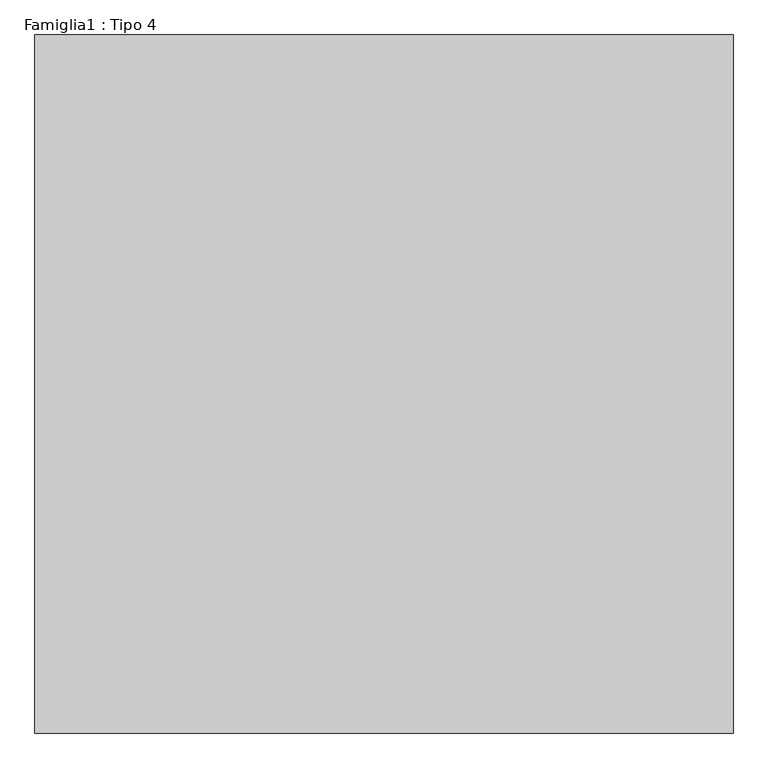
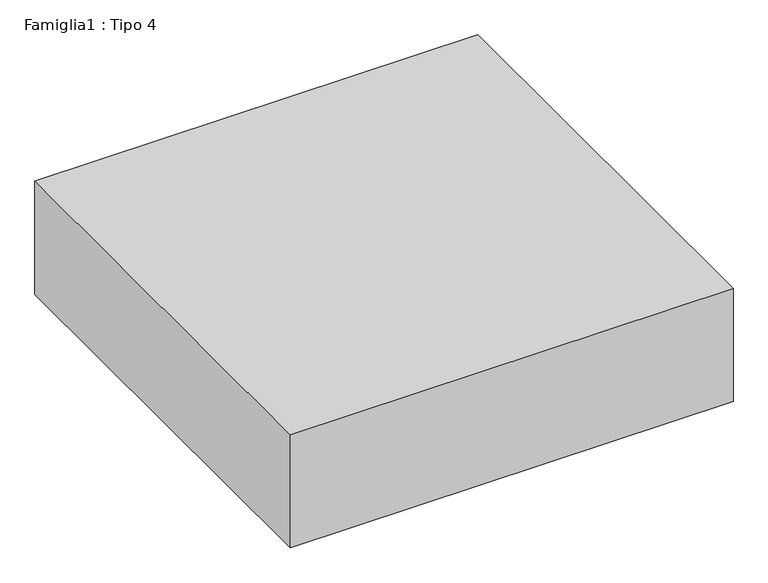
"""IFC4 building model written with IfcOpenShell, lengths in millimetres: proxy geometry, Famiglia1 : Tipo 4."""

from ifc_helpers import new_model, si_unit, origin, origin_with_axes, place, context, project, spatial, polyline, outline, extrude, source, transform, mapped, element, save


def famiglia1_tipo_4_85385c37(model_context):
    return source(origin(), model_context, "Body", "SweptSolid", [
        extrude(outline(polyline([(10000.0, 10000.0), (10000.0, 0.0), (0.0, 0.0), (0.0, 10000.0), (10000.0, 10000.0)])), origin_with_axes(), (0.0, 0.0, 1.0), 2700.0),
    ])


if __name__ == "__main__":
    model = new_model("IFC4")
    model_context = context("Model", 3, world=origin())
    ifc_project = project(units=[si_unit("LENGTHUNIT", "METRE", prefix="MILLI")], contexts=[model_context])
    site = spatial("IfcSite", under=ifc_project)
    building = spatial("IfcBuilding", under=site)
    placement = place(None, origin())
    famiglia1_tipo_4_shape = famiglia1_tipo_4_85385c37(model_context)
    element("IfcBuildingElementProxy", 1, Name="Famiglia1 : Tipo 4", ObjectType="Famiglia1 : Tipo 4", at=placement, inside=building, context=model_context, shape_type="MappedRepresentation", body=[
        mapped(famiglia1_tipo_4_shape, transform((0.0, 0.0, 0.0), x_axis=(1.0, 0.0, 0.0), y_axis=(0.0, 1.0, 0.0), z_axis=(0.0, 0.0, 1.0))),
    ])
    save(model, "model.ifc")
